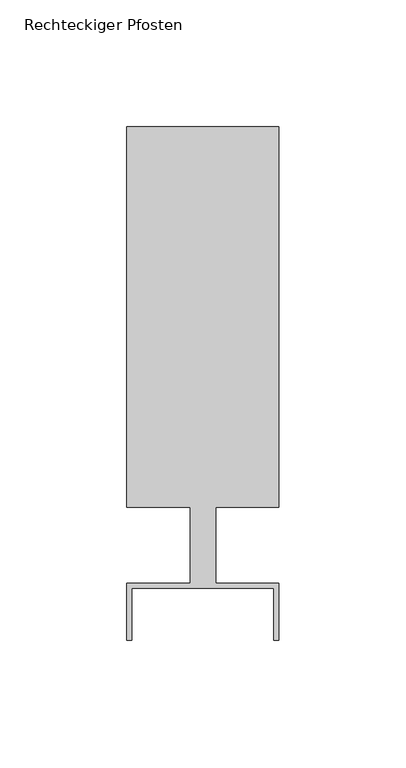
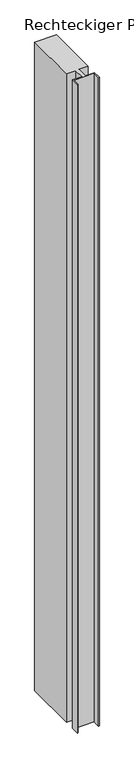
"""IFC4 building model written with IfcOpenShell, lengths in millimetres: member geometry, Rechteckiger Pfosten."""

import ifcopenshell
import ifcopenshell.guid

model = None  # the IFC model being written
_history = None  # IfcOwnerHistory: only IFC2X3 demands one
_inside = {}  # id of a spatial element -> (the spatial element, [elements in it])
_under = {}  # id of a project, library or spatial element -> (it, [spatial elements below it])
_declared = {}  # id of a project -> (the project, [libraries it declares])
_typed = {}  # id of a type object -> (the type object, [elements of that type])
_made_of = {}  # id of a material, layer set ... -> (it, [elements and type objects made of it])


def new_model(schema):
    """Start an empty IFC model of exactly this schema.

    Asked for "IFC4X3", IfcOpenShell would pick the latest addendum, in which some entities
    have other attributes; the version numbers below select the first issue.
    IFC2X3 requires an IfcOwnerHistory on every rooted entity: one is made here for all.
    """
    global model, _history
    if schema == "IFC4X3":
        model = ifcopenshell.file(schema_version=(4, 3, 0, 0))
    else:
        model = ifcopenshell.file(schema=schema)
    _inside.clear()
    _under.clear()
    _declared.clear()
    _typed.clear()
    _made_of.clear()
    _history = None
    if model.schema == "IFC2X3":
        org = make("IfcOrganization", Name="unknown")
        user = make(
            "IfcPersonAndOrganization",
            ThePerson=make("IfcPerson", FamilyName="unknown"),
            TheOrganization=org,
        )
        app = make(
            "IfcApplication",
            ApplicationDeveloper=org,
            Version="unknown",
            ApplicationFullName="unknown",
            ApplicationIdentifier="unknown",
        )
        _history = make(
            "IfcOwnerHistory",
            OwningUser=user,
            OwningApplication=app,
            ChangeAction="ADDED",
            CreationDate=0,
        )
    return model


def make(cls, **values):
    """One entity of the class cls with the attributes given. An attribute that is None is left unset."""
    return model.create_entity(
        cls, **{name: value for name, value in values.items() if value is not None}
    )


def rooted(cls, **values):
    """An entity with a GlobalId (a new one), such as an element, a storey or a relation."""
    return make(cls, GlobalId=ifcopenshell.guid.new(), OwnerHistory=_history, **values)


def si_unit(unit_type, name, prefix=None):
    """IfcSIUnit, for example si_unit("LENGTHUNIT", "METRE", prefix="MILLI")."""
    return make("IfcSIUnit", UnitType=unit_type, Prefix=prefix, Name=name)


def assignment(units):
    """IfcUnitAssignment: the units of a project."""
    return None if units is None else make("IfcUnitAssignment", Units=units)


def point(xyz):
    """IfcCartesianPoint."""
    return None if xyz is None else make("IfcCartesianPoint", Coordinates=xyz)


def direction(xyz):
    """IfcDirection."""
    return None if xyz is None else make("IfcDirection", DirectionRatios=xyz)


def frame(location, z_axis=None, x_axis=None):
    """IfcAxis2Placement3D, a coordinate frame: its origin and axes. An axis left out is left unset."""
    return make(
        "IfcAxis2Placement3D",
        Location=point(location),
        Axis=direction(z_axis),
        RefDirection=direction(x_axis),
    )


def origin():
    """The frame at (0, 0, 0) with its axes left unset."""
    return frame((0.0, 0.0, 0.0))


def place(relative_to, where):
    """IfcLocalPlacement: puts the frame where relative to a parent placement (None: the world)."""
    return make(
        "IfcLocalPlacement", PlacementRelTo=relative_to, RelativePlacement=where
    )


def context(
    kind, dimensions, precision=None, world=None, true_north=None, identifier=None
):
    """IfcGeometricRepresentationContext, for example the 3D "Model" context."""
    return make(
        "IfcGeometricRepresentationContext",
        ContextIdentifier=identifier,
        ContextType=kind,
        CoordinateSpaceDimension=dimensions,
        Precision=precision,
        WorldCoordinateSystem=world,
        TrueNorth=true_north,
    )


def project(units=None, contexts=None):
    """IfcProject with its units and contexts."""
    return rooted(
        "IfcProject",
        Name="project",
        RepresentationContexts=contexts,
        UnitsInContext=assignment(units),
    )


def spatial(cls, under=None, at=None, **own):
    """A site, building, storey or space (cls), placed at a placement, below another one or the project."""
    s = rooted(cls, ObjectPlacement=at, **own)
    if under is not None:
        _under.setdefault(under.id(), (under, []))[1].append(s)
    return s


def polyline(points):
    """IfcPolyline through the points."""
    return make("IfcPolyline", Points=[point(p) for p in points])


def outline(outer, holes=None, kind="AREA"):
    """IfcArbitraryClosedProfileDef: a profile drawn as a closed curve; with holes, ...WithVoids."""
    if holes is None:
        return make("IfcArbitraryClosedProfileDef", ProfileType=kind, OuterCurve=outer)
    return make(
        "IfcArbitraryProfileDefWithVoids",
        ProfileType=kind,
        OuterCurve=outer,
        InnerCurves=holes,
    )


def extrude(swept, where, along, depth):
    """IfcExtrudedAreaSolid: the profile swept, set in the frame where, extruded along a direction by depth."""
    return make(
        "IfcExtrudedAreaSolid",
        SweptArea=swept,
        Position=where,
        ExtrudedDirection=direction(along),
        Depth=depth,
    )


def shape(context_of_items, identifier, shape_type, items):
    """IfcShapeRepresentation: the items that make up one representation, for example the "Body"."""
    return make(
        "IfcShapeRepresentation",
        ContextOfItems=context_of_items,
        RepresentationIdentifier=identifier,
        RepresentationType=shape_type,
        Items=items,
    )


def source(mapping_origin, context_of_items, identifier, shape_type, items):
    """IfcRepresentationMap: a shape defined once, which mapped items show again and again."""
    return make(
        "IfcRepresentationMap",
        MappingOrigin=mapping_origin,
        MappedRepresentation=shape(context_of_items, identifier, shape_type, items),
    )


def transform(
    local_origin,
    x_axis=None,
    y_axis=None,
    z_axis=None,
    scale=None,
    scale2=None,
    scale3=None,
    uniform=True,
):
    """IfcCartesianTransformationOperator3D, or its non-uniform kind. x_axis, y_axis, z_axis: its Axis1, 2, 3."""
    if uniform:
        return make(
            "IfcCartesianTransformationOperator3D",
            Axis1=direction(x_axis),
            Axis2=direction(y_axis),
            LocalOrigin=point(local_origin),
            Scale=scale,
            Axis3=direction(z_axis),
        )
    return make(
        "IfcCartesianTransformationOperator3DnonUniform",
        Axis1=direction(x_axis),
        Axis2=direction(y_axis),
        LocalOrigin=point(local_origin),
        Scale=scale,
        Axis3=direction(z_axis),
        Scale2=scale2,
        Scale3=scale3,
    )


def mapped(mapping_source, mapping_target):
    """IfcMappedItem: shows the shape of a source again, moved by a transform."""
    return make(
        "IfcMappedItem", MappingSource=mapping_source, MappingTarget=mapping_target
    )


def made_of(thing, what):
    """Note that an element or type object is made of a material, layer set ...; save() writes the relation."""
    if what is not None:
        _made_of.setdefault(what.id(), (what, []))[1].append(thing)
    return thing


def element(
    cls,
    number,
    at=None,
    inside=None,
    cuts=None,
    type_object=None,
    material=None,
    context=None,
    identifier="Body",
    shape_type=None,
    held_by="IfcProductDefinitionShape",
    body=None,
    shapes=None,
    **own,
):
    """One element of the class cls, such as IfcWall. Its Tag is "e" and its number.

    at: its placement. inside: the storey or other place that contains it. cuts: it is an
    opening in that element (IfcRelVoidsElement). A single representation is given by context,
    identifier, shape_type and body (its items); several are given by shapes. held_by: the class
    of the entity that holds the representations. save() writes the other relations.
    """
    e = rooted(cls, Tag="e%d" % number, ObjectPlacement=at, **own)
    if body is not None:
        shapes = [shape(context, identifier, shape_type, body)]
    if shapes is not None:
        e.Representation = make(held_by, Representations=shapes)
    if inside is not None:
        _inside.setdefault(inside.id(), (inside, []))[1].append(e)
    if cuts is not None:
        rooted(
            "IfcRelVoidsElement", RelatingBuildingElement=cuts, RelatedOpeningElement=e
        )
    if type_object is not None:
        _typed.setdefault(type_object.id(), (type_object, []))[1].append(e)
    return made_of(e, material)


def aggregate(whole, parts):
    """IfcRelAggregates: a whole, such as a stair, and the parts it consists of."""
    return rooted("IfcRelAggregates", RelatingObject=whole, RelatedObjects=parts)


def save(model, path):
    """Write the relations noted so far, then the file.

    IfcRelAggregates (storeys below a building ...), IfcRelContainedInSpatialStructure (elements
    in a storey), IfcRelDefinesByType, IfcRelAssociatesMaterial and IfcRelDeclares: one each for
    every whole, place, type object, material and project.
    """
    for whole, parts in _under.values():
        aggregate(whole, parts)
    for where, things in _inside.values():
        rooted(
            "IfcRelContainedInSpatialStructure",
            RelatedElements=things,
            RelatingStructure=where,
        )
    for kind, things in _typed.values():
        rooted("IfcRelDefinesByType", RelatedObjects=things, RelatingType=kind)
    for what, things in _made_of.values():
        rooted("IfcRelAssociatesMaterial", RelatedObjects=things, RelatingMaterial=what)
    for by, libraries in _declared.values():
        rooted("IfcRelDeclares", RelatingContext=by, RelatedDefinitions=libraries)
    model.write(path)


def rechteckiger_pfosten_b8f7d1fa(model_context):
    return source(origin(), model_context, "Body", "SweptSolid", [
        extrude(outline(polyline([(28.0, -37.5), (28.0, -17.0), (-28.0, -17.0), (-28.0, -37.5), (-30.0, -37.5), (-30.0, -15.0), (-5.0, -15.0), (-5.0, 15.0), (-30.0, 15.0), (-30.0, 165.0), (30.0, 165.0), (30.0, 15.0), (5.0, 15.0), (5.0, -15.0), (30.0, -15.0), (30.0, -37.5), (28.0, -37.5)])), frame((0.0, 0.0, -1876.4189594), z_axis=(0.0, 0.0, 1.0), x_axis=(1.0, 0.0, 0.0)), (0.0, 0.0, 1.0), 1876.4189594),
    ])


if __name__ == "__main__":
    model = new_model("IFC4")
    model_context = context("Model", 3, world=origin())
    ifc_project = project(units=[si_unit("LENGTHUNIT", "METRE", prefix="MILLI")], contexts=[model_context])
    site = spatial("IfcSite", under=ifc_project)
    building = spatial("IfcBuilding", under=site)
    placement = place(None, origin())
    rechteckiger_pfosten_shape = rechteckiger_pfosten_b8f7d1fa(model_context)
    element("IfcMember", 1, ObjectType="Rechteckiger Pfosten", at=placement, inside=building, context=model_context, shape_type="MappedRepresentation", body=[
        mapped(rechteckiger_pfosten_shape, transform((0.0, 0.0, 0.0), x_axis=(1.0, 0.0, 0.0), y_axis=(0.0, 1.0, 0.0), z_axis=(0.0, 0.0, 1.0))),
    ])
    save(model, "model.ifc")
